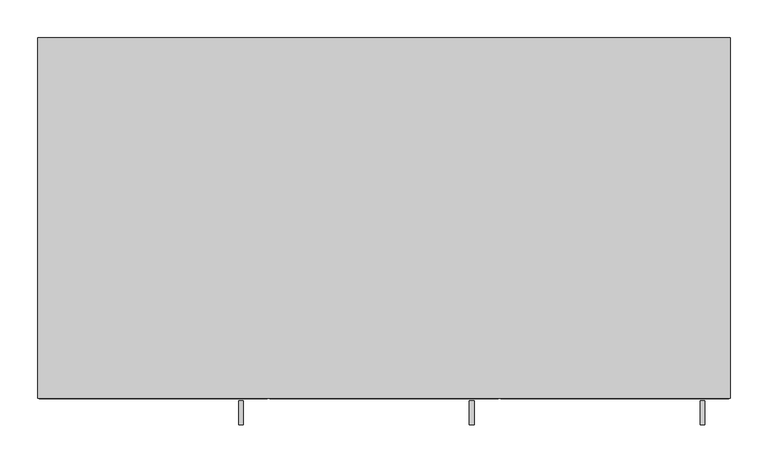
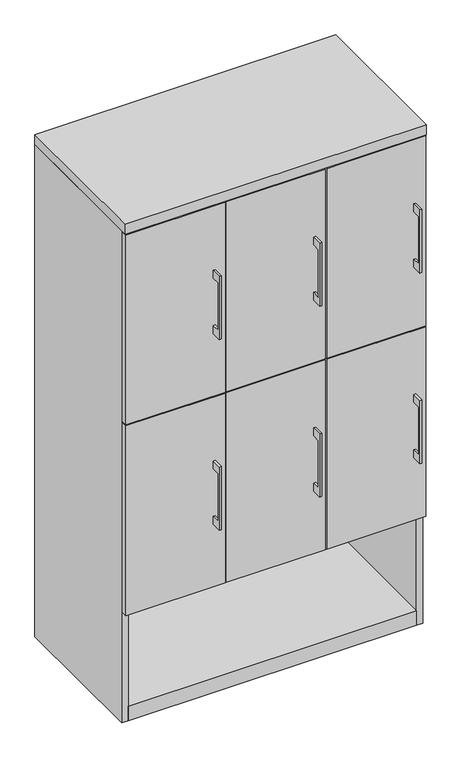
"""IFC4 building model written with IfcOpenShell, lengths in millimetres: furniture geometry."""

from ifc_helpers import new_model, si_unit, frame, origin, origin_with_axes, place, context, project, spatial, polyline, outline, extrude, source, transform, mapped, element, save


def furniture_4394ce36(model_context):
    return source(origin(), model_context, "Body", "SweptSolid", [
        extrude(outline(polyline([(-479.425, 736.6), (-504.8249758, 736.6), (-504.8249758, 584.2), (-479.425, 584.2), (-479.425, 558.8), (-511.1749879, 558.8), (-511.1749879, 762.0), (-479.425, 762.0), (-479.425, 736.6)])), frame((112.7125121, 0.0, 0.0), z_axis=(1.0, 0.0, 0.0), x_axis=(0.0, 1.0, 0.0)), (0.0, 0.0, 1.0), 6.3499758),
        extrude(outline(polyline([(150.8125, -476.25), (-150.8125, -476.25), (-150.8125, -457.2), (150.8125, -457.2), (150.8125, -476.25)])), frame((0.0, 0.0, 355.6), z_axis=(0.0, 0.0, 1.0), x_axis=(1.0, 0.0, 0.0)), (0.0, 0.0, 1.0), 609.6),
        extrude(outline(polyline([(-479.425, 1349.375), (-504.8249758, 1349.375), (-504.8249758, 1196.975), (-479.425, 1196.975), (-479.425, 1171.575), (-511.1749879, 1171.575), (-511.1749879, 1374.775), (-479.425, 1374.775), (-479.425, 1349.375)])), frame((112.7125121, 0.0, 0.0), z_axis=(1.0, 0.0, 0.0), x_axis=(0.0, 1.0, 0.0)), (0.0, 0.0, 1.0), 6.3499758),
        extrude(outline(polyline([(150.8125, -476.25), (-150.8125, -476.25), (-150.8125, -457.2), (150.8125, -457.2), (150.8125, -476.25)])), frame((0.0, 0.0, 968.375), z_axis=(0.0, 0.0, 1.0), x_axis=(1.0, 0.0, 0.0)), (0.0, 0.0, 1.0), 609.6),
        extrude(outline(polyline([(-479.425, 1349.375), (-504.8249758, 1349.375), (-504.8249758, 1196.975), (-479.425, 1196.975), (-479.425, 1171.575), (-511.1749879, 1171.575), (-511.1749879, 1374.775), (-479.425, 1374.775), (-479.425, 1349.375)])), frame((417.5125121, 0.0, 0.0), z_axis=(1.0, 0.0, 0.0), x_axis=(0.0, 1.0, 0.0)), (0.0, 0.0, 1.0), 6.3499758),
        extrude(outline(polyline([(455.6125, -476.25), (153.9875, -476.25), (153.9875, -457.2), (455.6125, -457.2), (455.6125, -476.25)])), frame((0.0, 0.0, 968.375), z_axis=(0.0, 0.0, 1.0), x_axis=(1.0, 0.0, 0.0)), (0.0, 0.0, 1.0), 609.6),
        extrude(outline(polyline([(-479.425, 1349.375), (-504.8249758, 1349.375), (-504.8249758, 1196.975), (-479.425, 1196.975), (-479.425, 1171.575), (-511.1749879, 1171.575), (-511.1749879, 1374.775), (-479.425, 1374.775), (-479.425, 1349.375)])), frame((-192.0874879, 0.0, 0.0), z_axis=(1.0, 0.0, 0.0), x_axis=(0.0, 1.0, 0.0)), (0.0, 0.0, 1.0), 6.3499758),
        extrude(outline(polyline([(-153.9875, -476.25), (-455.6125, -476.25), (-455.6125, -457.2), (-153.9875, -457.2), (-153.9875, -476.25)])), frame((0.0, 0.0, 968.375), z_axis=(0.0, 0.0, 1.0), x_axis=(1.0, 0.0, 0.0)), (0.0, 0.0, 1.0), 609.6),
        extrude(outline(polyline([(-479.425, 736.6), (-504.8249758, 736.6), (-504.8249758, 584.2), (-479.425, 584.2), (-479.425, 558.8), (-511.1749879, 558.8), (-511.1749879, 762.0), (-479.425, 762.0), (-479.425, 736.6)])), frame((417.5125121, 0.0, 0.0), z_axis=(1.0, 0.0, 0.0), x_axis=(0.0, 1.0, 0.0)), (0.0, 0.0, 1.0), 6.3499758),
        extrude(outline(polyline([(455.6125, -476.25), (153.9875, -476.25), (153.9875, -457.2), (455.6125, -457.2), (455.6125, -476.25)])), frame((0.0, 0.0, 355.6), z_axis=(0.0, 0.0, 1.0), x_axis=(1.0, 0.0, 0.0)), (0.0, 0.0, 1.0), 609.6),
        extrude(outline(polyline([(-479.425, 736.6), (-504.8249758, 736.6), (-504.8249758, 584.2), (-479.425, 584.2), (-479.425, 558.8), (-511.1749879, 558.8), (-511.1749879, 762.0), (-479.425, 762.0), (-479.425, 736.6)])), frame((-192.0874879, 0.0, 0.0), z_axis=(1.0, 0.0, 0.0), x_axis=(0.0, 1.0, 0.0)), (0.0, 0.0, 1.0), 6.3499758),
        extrude(outline(polyline([(-153.9875, -476.25), (-455.6125, -476.25), (-455.6125, -457.2), (-153.9875, -457.2), (-153.9875, -476.25)])), frame((0.0, 0.0, 355.6), z_axis=(0.0, 0.0, 1.0), x_axis=(1.0, 0.0, 0.0)), (0.0, 0.0, 1.0), 609.6),
        extrude(outline(polyline([(438.15, -19.05), (438.15, -457.2), (-438.15, -457.2), (-438.15, -19.05), (438.15, -19.05)])), frame((0.0, 0.0, 352.425), z_axis=(0.0, 0.0, 1.0), x_axis=(1.0, 0.0, 0.0)), (0.0, 0.0, 1.0), 19.05),
        extrude(outline(polyline([(-142.875, -19.05), (-142.875, -457.2), (-161.925, -457.2), (-161.925, -19.05), (-142.875, -19.05)])), frame((0.0, 0.0, 371.475), z_axis=(0.0, 0.0, 1.0), x_axis=(1.0, 0.0, 0.0)), (0.0, 0.0, 1.0), 1209.675),
        extrude(outline(polyline([(161.925, -19.05), (161.925, -457.2), (142.875, -457.2), (142.875, -19.05), (161.925, -19.05)])), frame((0.0, 0.0, 371.475), z_axis=(0.0, 0.0, 1.0), x_axis=(1.0, 0.0, 0.0)), (0.0, 0.0, 1.0), 1209.675),
        extrude(outline(polyline([(438.15, -19.05), (438.15, -457.2), (-438.15, -457.2), (-438.15, -19.05), (438.15, -19.05)])), origin_with_axes(), (0.0, 0.0, 1.0), 47.625),
        extrude(outline(polyline([(457.2, 0.0), (457.2, -476.25), (-457.2, -476.25), (-457.2, 0.0), (457.2, 0.0)])), frame((0.0, 0.0, 1581.15), z_axis=(0.0, 0.0, 1.0), x_axis=(1.0, 0.0, 0.0)), (0.0, 0.0, 1.0), 31.75),
        extrude(outline(polyline([(457.2, 0.0), (457.2, -457.2), (438.15, -457.2), (438.15, -19.05), (-438.15, -19.05), (-438.15, -457.2), (-457.2, -457.2), (-457.2, 0.0), (457.2, 0.0)])), origin_with_axes(), (0.0, 0.0, 1.0), 1581.15),
    ])


if __name__ == "__main__":
    model = new_model("IFC4")
    model_context = context("Model", 3, world=origin())
    ifc_project = project(units=[si_unit("LENGTHUNIT", "METRE", prefix="MILLI")], contexts=[model_context])
    site = spatial("IfcSite", under=ifc_project)
    building = spatial("IfcBuilding", under=site)
    placement = place(None, origin())
    furniture_shape = furniture_4394ce36(model_context)
    element("IfcFurniture", 1, at=placement, inside=building, context=model_context, shape_type="MappedRepresentation", body=[
        mapped(furniture_shape, transform((0.0, 0.0, 0.0), x_axis=(1.0, 0.0, 0.0), y_axis=(0.0, 1.0, 0.0), z_axis=(0.0, 0.0, 1.0))),
    ])
    save(model, "model.ifc")
